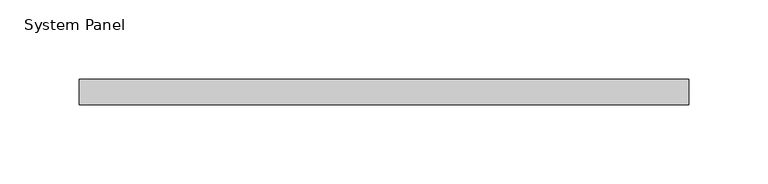
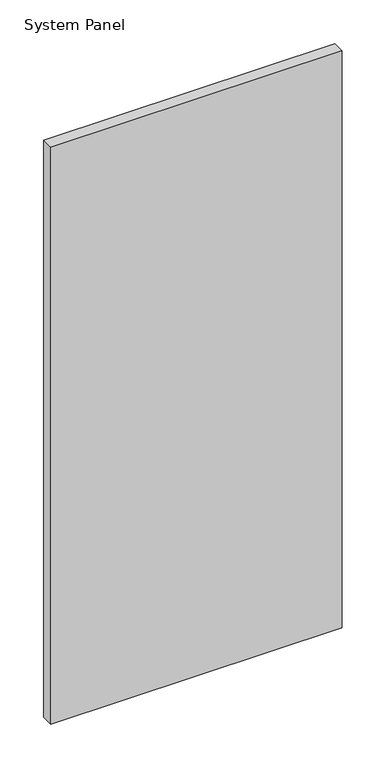
"""IFC4 building model written with IfcOpenShell, lengths in millimetres: plate geometry, System Panel."""

from ifc_helpers import new_model, si_unit, origin, origin_with_axes, place, context, project, spatial, polyline, outline, extrude, source, transform, mapped, element, save


def system_panel_212a5798(model_context):
    return source(origin(), model_context, "Body", "SweptSolid", [
        extrude(outline(polyline([(192.5, -8.0), (-192.5, -8.0), (-192.5, 8.0), (192.5, 8.0), (192.5, -8.0)])), origin_with_axes(), (0.0, 0.0, 1.0), 805.0),
    ])


if __name__ == "__main__":
    model = new_model("IFC4")
    model_context = context("Model", 3, world=origin())
    ifc_project = project(units=[si_unit("LENGTHUNIT", "METRE", prefix="MILLI")], contexts=[model_context])
    site = spatial("IfcSite", under=ifc_project)
    building = spatial("IfcBuilding", under=site)
    placement = place(None, origin())
    system_panel_shape = system_panel_212a5798(model_context)
    element("IfcPlate", 1, ObjectType="System Panel", at=placement, inside=building, context=model_context, shape_type="MappedRepresentation", body=[
        mapped(system_panel_shape, transform((0.0, 0.0, 0.0), x_axis=(1.0, 0.0, 0.0), y_axis=(0.0, 1.0, 0.0), z_axis=(0.0, 0.0, 1.0))),
    ])
    save(model, "model.ifc")
